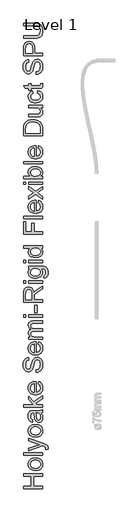
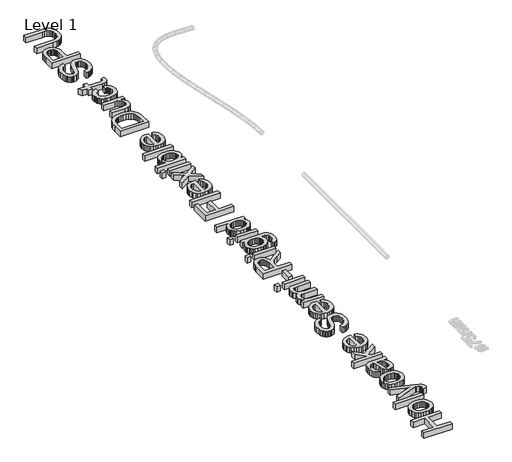
# One storey, part 14 of 17: 1 proxy.
"""IFC4 building model written with IfcOpenShell, lengths in millimetres."""

from ifc_helpers import new_model, si_unit, origin, origin_with_axes, place, context, project, spatial, polyline, outline, extrude, element, save

model = new_model("IFC4")

# Units and contexts
model_context = context("Model", 3, world=origin())
ifc_project = project(units=[si_unit("LENGTHUNIT", "METRE", prefix="MILLI")], contexts=[model_context])

# Site, building, storey
site = spatial("IfcSite", under=ifc_project)
building = spatial("IfcBuilding", under=site)
storey = spatial("IfcBuildingStorey", under=building, Name="Level 1", Elevation=0.0)

# Proxy
placement = place(None, origin())
element("IfcBuildingElementProxy", 1, Name="600mm", ObjectType="600mm", at=placement, inside=storey, context=model_context, shape_type="SweptSolid", body=[
    extrude(outline(polyline([(-1094.1692416, 1067.8141205), (-1684.9384723, 1067.8141205), (-1684.9384723, 1141.6602743), (-1444.9384723, 1141.6602743), (-1444.9384723, 1455.5064282), (-1684.9384723, 1455.5064282), (-1684.9384723, 1529.352582), (-1094.1692416, 1529.352582), (-1094.1692416, 1455.5064282), (-1371.0923185, 1455.5064282), (-1371.0923185, 1141.6602743), (-1094.1692416, 1141.6602743), (-1094.1692416, 1067.8141205)])), origin_with_axes(), (0.0, 0.0, 1.0), 120.0),
    extrude(outline(polyline([(-1311.0923185, 1630.8910436), (-1367.2792175, 1634.884433), (-1415.6956839, 1646.8646013), (-1456.3417175, 1666.8315484), (-1489.2173185, 1694.7852743), (-1510.2299387, 1722.9283032), (-1525.2389531, 1753.9920051), (-1534.2443618, 1787.9763801), (-1537.2461646, 1824.8814282), (-1533.5908161, 1865.6221133), (-1522.6247704, 1902.4595532), (-1504.3480276, 1935.3937479), (-1478.7605877, 1964.4246974), (-1446.7278353, 1988.1191085), (-1409.115155, 2005.0436878), (-1365.9225469, 2015.1984354), (-1317.1500108, 2018.5833513), (-1277.6217656, 2017.086957), (-1242.5466454, 2012.5977743), (-1211.9246502, 2005.1158032), (-1185.75578, 1994.6410436), (-1163.1521142, 1981.3042046), (-1143.2257319, 1965.2359955), (-1125.9766334, 1946.4364162), (-1111.4048185, 1924.9054666), (-1099.825792, 1901.4814883), (-1091.5550589, 1877.0028224), (-1086.592619, 1851.469469), (-1084.9384723, 1824.8814282), (-1088.5802993, 1783.5457912), (-1099.50578, 1746.3658032), (-1117.7149146, 1713.3414642), (-1143.2077031, 1684.4727743), (-1175.5514531, 1661.0307671), (-1214.3134723, 1644.2864763), (-1259.4937608, 1634.2399017), (-1311.0923185, 1630.8910436)]), holes=[polyline([(-1311.2365493, 1704.7371974), (-1275.4177392, 1706.8736157), (-1244.4036166, 1713.2828705), (-1218.1941815, 1723.9649618), (-1196.7894339, 1738.9198897), (-1180.1623305, 1757.1109955), (-1168.2858281, 1777.5016205), (-1161.1599267, 1800.0917647), (-1158.7846262, 1824.8814282), (-1161.1734483, 1849.5448897), (-1168.3399146, 1872.0448897), (-1180.2840252, 1892.3814282), (-1197.00578, 1910.5545051), (-1218.6223666, 1925.509433), (-1245.2509723, 1936.1915243), (-1276.8915973, 1942.6007791), (-1313.5442416, 1944.7371974), (-1348.2272344, 1942.5872575), (-1378.4300589, 1936.1374378), (-1404.1527151, 1925.3877383), (-1425.3952031, 1910.3381589), (-1442.0223065, 1892.0974739), (-1453.8988089, 1871.774457), (-1461.0247103, 1849.3691085), (-1463.4000108, 1824.8814282), (-1461.0337247, 1800.0917647), (-1453.9348666, 1777.5016205), (-1442.1034363, 1757.1109955), (-1425.5394339, 1738.9198897), (-1404.1977872, 1723.9649618), (-1378.0334243, 1713.2828705), (-1347.0463449, 1706.8736157), (-1311.2365493, 1704.7371974)])]), origin_with_axes(), (0.0, 0.0, 1.0), 120.0),
    extrude(outline(polyline([(-1094.1692416, 2101.6602743), (-1684.9384723, 2101.6602743), (-1684.9384723, 2175.5064282), (-1094.1692416, 2175.5064282), (-1094.1692416, 2101.6602743)])), origin_with_axes(), (0.0, 0.0, 1.0), 120.0),
    extrude(outline(polyline([(-928.0153954, 2286.2756589), (-999.1211646, 2277.0448897), (-992.63078, 2314.5448897), (-994.6680396, 2334.2684474), (-1000.7798185, 2349.5929666), (-1010.5334243, 2361.5280628), (-1023.4961646, 2371.0833513), (-1077.8711646, 2391.2756589), (-1095.75578, 2397.0448897), (-1528.0153954, 2240.1218128), (-1528.0153954, 2318.0064282), (-1287.1500108, 2401.227582), (-1190.8038569, 2430.2179666), (-1275.9000108, 2459.2083513), (-1528.0153954, 2544.7371974), (-1528.0153954, 2622.0448897), (-1083.7846262, 2471.0352743), (-987.4384723, 2431.8045051), (-956.6812608, 2411.7203705), (-935.3711646, 2388.9679666), (-922.9312608, 2362.5376782), (-918.7846262, 2331.4198897), (-921.0923185, 2310.0376782), (-928.0153954, 2286.2756589)])), origin_with_axes(), (0.0, 0.0, 1.0), 120.0),
    extrude(outline(polyline([(-1311.0923185, 2664.7371974), (-1367.2792175, 2668.7305868), (-1415.6956839, 2680.7107551), (-1456.3417175, 2700.6777022), (-1489.2173185, 2728.6314282), (-1510.2299387, 2756.774457), (-1525.2389531, 2787.8381589), (-1534.2443618, 2821.8225339), (-1537.2461646, 2858.727582), (-1533.5908161, 2899.4682671), (-1522.6247704, 2936.305707), (-1504.3480276, 2969.2399017), (-1478.7605877, 2998.2708513), (-1446.7278353, 3021.9652623), (-1409.115155, 3038.8898416), (-1365.9225469, 3049.0445892), (-1317.1500108, 3052.4295051), (-1277.6217656, 3050.9331109), (-1242.5466454, 3046.4439282), (-1211.9246502, 3038.961957), (-1185.75578, 3028.4871974), (-1163.1521142, 3015.1503585), (-1143.2257319, 2999.0821493), (-1125.9766334, 2980.28257), (-1111.4048185, 2958.7516205), (-1099.825792, 2935.3276421), (-1091.5550589, 2910.8489763), (-1086.592619, 2885.3156229), (-1084.9384723, 2858.727582), (-1088.5802993, 2817.391945), (-1099.50578, 2780.211957), (-1117.7149146, 2747.1876181), (-1143.2077031, 2718.3189282), (-1175.5514531, 2694.876921), (-1214.3134723, 2678.1326301), (-1259.4937608, 2668.0860556), (-1311.0923185, 2664.7371974)]), holes=[polyline([(-1311.2365493, 2738.5833513), (-1275.4177392, 2740.7197695), (-1244.4036166, 2747.1290243), (-1218.1941815, 2757.8111157), (-1196.7894339, 2772.7660436), (-1180.1623305, 2790.9571493), (-1168.2858281, 2811.3477743), (-1161.1599267, 2833.9379186), (-1158.7846262, 2858.727582), (-1161.1734483, 2883.3910436), (-1168.3399146, 2905.8910436), (-1180.2840252, 2926.227582), (-1197.00578, 2944.4006589), (-1218.6223666, 2959.3555868), (-1245.2509723, 2970.0376782), (-1276.8915973, 2976.446933), (-1313.5442416, 2978.5833513), (-1348.2272344, 2976.4334114), (-1378.4300589, 2969.9835916), (-1404.1527151, 2959.2338921), (-1425.3952031, 2944.1843128), (-1442.0223065, 2925.9436277), (-1453.8988089, 2905.6206109), (-1461.0247103, 2883.2152623), (-1463.4000108, 2858.727582), (-1461.0337247, 2833.9379186), (-1453.9348666, 2811.3477743), (-1442.1034363, 2790.9571493), (-1425.5394339, 2772.7660436), (-1404.1977872, 2757.8111157), (-1378.0334243, 2747.1290243), (-1347.0463449, 2740.7197695), (-1311.2365493, 2738.5833513)])]), origin_with_axes(), (0.0, 0.0, 1.0), 120.0),
    extrude(outline(polyline([(-1149.5538569, 3412.4295051), (-1119.3014531, 3377.1470532), (-1099.50578, 3340.8189282), (-1088.5802993, 3302.6158032), (-1084.9384723, 3261.7083513), (-1087.1289771, 3228.8282431), (-1093.7004916, 3199.9956109), (-1104.6530156, 3175.2104546), (-1119.9865493, 3154.4727743), (-1138.7275348, 3138.0980748), (-1159.9024146, 3126.4018609), (-1183.5111887, 3119.3841325), (-1209.5538569, 3117.0448897), (-1240.1668377, 3120.5785436), (-1267.9673185, 3131.1795051), (-1291.7653954, 3147.5316686), (-1310.3711646, 3168.3189282), (-1324.4336646, 3192.7480147), (-1334.6019339, 3220.0256589), (-1345.7077031, 3283.9198897), (-1357.3903954, 3359.4246974), (-1371.0923185, 3411.9968128), (-1387.5346262, 3412.4295051), (-1420.4913569, 3407.3453705), (-1432.6968858, 3400.9902022), (-1442.0538569, 3392.0929666), (-1451.3927993, 3376.7143609), (-1458.0634723, 3357.9823897), (-1463.4000108, 3310.4583513), (-1459.8483281, 3266.4679666), (-1449.19328, 3235.7468128), (-1429.4877512, 3214.7972936), (-1398.7846262, 3200.1218128), (-1408.0153954, 3126.2756589), (-1448.4000108, 3139.0941686), (-1480.13078, 3158.2227743), (-1504.3976069, 3185.446332), (-1522.3903954, 3222.5496974), (-1533.5322223, 3267.9283032), (-1537.2461646, 3319.977582), (-1533.9649146, 3369.899457), (-1524.1211646, 3409.4727743), (-1509.3194819, 3439.3105147), (-1491.1644339, 3460.0256589), (-1468.7185204, 3473.7636397), (-1441.0442416, 3482.6698897), (-1376.4288569, 3486.2756589), (-1284.5538569, 3486.2756589), (-1156.2605877, 3490.0256589), (-1124.5478473, 3495.5785436), (-1094.1692416, 3504.7371974), (-1094.1692416, 3430.8910436), (-1119.8423185, 3419.0641205), (-1149.5538569, 3412.4295051)]), holes=[polyline([(-1297.2461646, 3412.4295051), (-1284.9504916, 3362.8141205), (-1274.6019339, 3293.2948897), (-1262.63078, 3229.7612359), (-1254.4456839, 3213.2287839), (-1243.1596262, 3200.9871974), (-1229.6379916, 3193.415082), (-1214.7461646, 3190.8910436), (-1192.78703, 3196.3898416), (-1174.7942416, 3212.8862359), (-1162.78703, 3240.0196493), (-1158.7846262, 3277.4295051), (-1163.2016935, 3317.0929666), (-1176.4528954, 3352.1410436), (-1195.9781358, 3380.5545051), (-1219.2173185, 3400.3141205), (-1243.1596262, 3409.0761397), (-1276.3327031, 3411.9968128), (-1297.2461646, 3412.4295051)])]), origin_with_axes(), (0.0, 0.0, 1.0), 120.0),
    extrude(outline(polyline([(-1094.1692416, 3587.8141205), (-1684.9384723, 3587.8141205), (-1684.9384723, 3661.6602743), (-1367.4865493, 3661.6602743), (-1528.0153954, 3827.2371974), (-1528.0153954, 3929.352582), (-1365.4673185, 3761.7564282), (-1094.1692416, 3938.5833513), (-1094.1692416, 3852.3333513), (-1314.1211646, 3708.8237359), (-1268.4000108, 3661.6602743), (-1094.1692416, 3661.6602743), (-1094.1692416, 3587.8141205)])), origin_with_axes(), (0.0, 0.0, 1.0), 120.0),
    extrude(outline(polyline([(-1223.4000108, 4306.9487359), (-1214.1692416, 4379.352582), (-1185.1698425, 4368.25132), (-1159.6139531, 4353.2648416), (-1137.5015733, 4334.3931469), (-1118.8327031, 4311.6362359), (-1104.0039771, 4285.2284835), (-1093.41203, 4255.4042647), (-1087.0568618, 4222.1635796), (-1084.9384723, 4185.5064282), (-1088.5938209, 4139.6861157), (-1099.5598666, 4098.8597936), (-1117.8366094, 4063.0274618), (-1143.4240493, 4032.1891205), (-1175.6100469, 4007.3904426), (-1213.6824627, 3989.6771013), (-1257.6412969, 3979.0490964), (-1307.4865493, 3975.5064282), (-1359.022006, 3979.0851541), (-1404.4456839, 3989.821332), (-1443.7575829, 4007.7149618), (-1476.9577031, 4032.7660436), (-1503.333905, 4063.5232551), (-1522.1740493, 4098.5352743), (-1533.4781358, 4137.8021013), (-1537.2461646, 4181.3237359), (-1533.4871502, 4223.4436277), (-1522.2101069, 4261.5340724), (-1503.4150348, 4295.59507), (-1477.1019339, 4325.6266205), (-1443.9739291, 4350.141344), (-1404.7341454, 4367.6518609), (-1359.3825829, 4378.158171), (-1307.9192416, 4381.6602743), (-1288.0153954, 4381.227582), (-1288.0153954, 4049.352582), (-1258.5472464, 4053.6299258), (-1232.7389531, 4062.1350339), (-1210.5905156, 4074.8679065), (-1192.1019339, 4091.8285436), (-1177.5256118, 4112.079445), (-1167.1139531, 4134.6831109), (-1160.8669579, 4159.6395412), (-1158.7846262, 4186.9487359), (-1162.6427993, 4226.2516205), (-1174.2173185, 4259.352582), (-1194.2293377, 4286.2516205), (-1223.4000108, 4306.9487359)]), holes=[polyline([(-1361.8615493, 4049.352582), (-1361.8615493, 4307.8141205), (-1400.8759723, 4297.8261397), (-1416.2185204, 4289.2353945), (-1428.7846262, 4278.2468128), (-1443.9288569, 4258.1085916), (-1454.7461646, 4235.1939282), (-1461.2365493, 4209.5028224), (-1463.4000108, 4181.0352743), (-1461.6737488, 4155.0692287), (-1456.4949627, 4131.2576301), (-1447.8636526, 4109.6004787), (-1435.7798185, 4090.0977743), (-1420.8023545, 4073.7320892), (-1403.490155, 4061.4859955), (-1383.8432199, 4053.3594931), (-1361.8615493, 4049.352582)])]), origin_with_axes(), (0.0, 0.0, 1.0), 120.0),
    extrude(outline(polyline([(-1297.2461646, 4667.8141205), (-1297.2461646, 4741.6602743), (-1256.2665973, 4750.133832), (-1223.3278954, 4765.4583513), (-1197.1860685, 4789.3646013), (-1176.5971262, 4823.5833513), (-1163.2377512, 4865.4102743), (-1158.7846262, 4912.1410436), (-1162.1560204, 4953.2828705), (-1172.2702031, 4989.3045051), (-1188.2798185, 5018.493207), (-1209.3375108, 5039.1362359), (-1233.5141935, 5051.4138801), (-1258.88078, 5055.5064282), (-1283.5983281, 5052.4415243), (-1304.9625108, 5043.2468128), (-1323.1896743, 5024.5689282), (-1338.4961646, 4993.0545051), (-1366.69328, 4885.5304666), (-1385.3531358, 4814.9475339), (-1403.1115493, 4769.7852743), (-1427.9552993, 4733.024457), (-1458.0634723, 4706.9727743), (-1492.78703, 4691.4499378), (-1531.4769339, 4686.2756589), (-1553.467619, 4687.875719), (-1574.7281358, 4692.6758993), (-1595.2584844, 4700.6761998), (-1615.0586646, 4711.8766205), (-1633.3218858, 4726.1509594), (-1649.2413569, 4743.3730147), (-1662.8170781, 4763.5427864), (-1674.0490493, 4786.6602743), (-1689.1391935, 4838.6194089), (-1694.1692416, 4896.1314282), (-1688.9048185, 4958.4391205), (-1673.1115493, 5012.9583513), (-1661.3477271, 5036.8105147), (-1647.1139531, 5057.7420051), (-1630.4102271, 5075.7528224), (-1611.2365493, 5090.8429666), (-1590.1518137, 5102.8952503), (-1567.7149146, 5111.7924859), (-1543.9258521, 5117.5346734), (-1518.7846262, 5120.1218128), (-1518.7846262, 5046.2756589), (-1542.3483281, 5041.3357551), (-1562.8471262, 5032.7179666), (-1580.2810204, 5020.4222936), (-1594.6500108, 5004.4487359), (-1605.8819819, 4984.4998176), (-1613.9048185, 4960.2780628), (-1618.7185204, 4931.7834714), (-1620.3230877, 4899.0160436), (-1618.7365493, 4865.2029426), (-1613.9769339, 4836.3117166), (-1606.0442416, 4812.3423657), (-1594.9384723, 4793.2948897), (-1581.5881118, 4778.7816686), (-1566.9216454, 4768.415082), (-1550.9390733, 4762.1951301), (-1533.6403954, 4760.1218128), (-1505.2629916, 4765.9992166), (-1482.4384723, 4783.6314282), (-1472.2882319, 4799.821332), (-1462.0298185, 4825.3141205), (-1441.1884723, 4904.2083513), (-1421.3927993, 4985.6266205), (-1404.1211646, 5034.8814282), (-1377.3302993, 5076.9787839), (-1361.5821021, 5093.2543248), (-1344.2653954, 5106.3477743), (-1325.4703233, 5116.4123777), (-1305.28703, 5123.6013801), (-1260.75578, 5129.352582), (-1237.6563209, 5127.6984354), (-1215.2329435, 5122.7359955), (-1193.4856478, 5114.4652623), (-1172.4144339, 5102.8862359), (-1152.8351069, 5088.2017407), (-1135.5634723, 5070.6146013), (-1120.59953, 5050.1248176), (-1107.94328, 5026.7323897), (-1097.8786767, 5001.1179065), (-1090.6896743, 4973.961957), (-1084.9384723, 4915.0256589), (-1086.4889531, 4877.250719), (-1091.1403954, 4842.6758993), (-1098.8927993, 4811.3011998), (-1109.7461646, 4783.1266205), (-1123.7185204, 4757.9808873), (-1140.8278954, 4735.6927263), (-1161.0742896, 4716.2621373), (-1184.4577031, 4699.6891205), (-1210.2209243, 4686.3387599), (-1237.6067416, 4676.5761397), (-1266.615155, 4670.4012599), (-1297.2461646, 4667.8141205)])), origin_with_axes(), (0.0, 0.0, 1.0), 120.0),
    extrude(outline(polyline([(-1223.4000108, 5534.6410436), (-1214.1692416, 5607.0448897), (-1185.1698425, 5595.9436277), (-1159.6139531, 5580.9571493), (-1137.5015733, 5562.0854546), (-1118.8327031, 5539.3285436), (-1104.0039771, 5512.9207912), (-1093.41203, 5483.0965724), (-1087.0568618, 5449.8558873), (-1084.9384723, 5413.1987359), (-1088.5938209, 5367.3784234), (-1099.5598666, 5326.5521013), (-1117.8366094, 5290.7197695), (-1143.4240493, 5259.8814282), (-1175.6100469, 5235.0827503), (-1213.6824627, 5217.3694089), (-1257.6412969, 5206.7414041), (-1307.4865493, 5203.1987359), (-1359.022006, 5206.7774618), (-1404.4456839, 5217.5136397), (-1443.7575829, 5235.4072695), (-1476.9577031, 5260.4583513), (-1503.333905, 5291.2155628), (-1522.1740493, 5326.227582), (-1533.4781358, 5365.4944089), (-1537.2461646, 5409.0160436), (-1533.4871502, 5451.1359354), (-1522.2101069, 5489.2263801), (-1503.4150348, 5523.2873777), (-1477.1019339, 5553.3189282), (-1443.9739291, 5577.8336517), (-1404.7341454, 5595.3441686), (-1359.3825829, 5605.8504787), (-1307.9192416, 5609.352582), (-1288.0153954, 5608.9198897), (-1288.0153954, 5277.0448897), (-1258.5472464, 5281.3222335), (-1232.7389531, 5289.8273416), (-1210.5905156, 5302.5602142), (-1192.1019339, 5319.5208513), (-1177.5256118, 5339.7717527), (-1167.1139531, 5362.3754186), (-1160.8669579, 5387.3318489), (-1158.7846262, 5414.6410436), (-1162.6427993, 5453.9439282), (-1174.2173185, 5487.0448897), (-1194.2293377, 5513.9439282), (-1223.4000108, 5534.6410436)]), holes=[polyline([(-1361.8615493, 5277.0448897), (-1361.8615493, 5535.5064282), (-1400.8759723, 5525.5184474), (-1416.2185204, 5516.9277022), (-1428.7846262, 5505.9391205), (-1443.9288569, 5485.8008993), (-1454.7461646, 5462.8862359), (-1461.2365493, 5437.1951301), (-1463.4000108, 5408.727582), (-1461.6737488, 5382.7615364), (-1456.4949627, 5358.9499378), (-1447.8636526, 5337.2927864), (-1435.7798185, 5317.790082), (-1420.8023545, 5301.4243969), (-1403.490155, 5289.1783032), (-1383.8432199, 5281.0518008), (-1361.8615493, 5277.0448897)])]), origin_with_axes(), (0.0, 0.0, 1.0), 120.0),
    extrude(outline(polyline([(-1094.1692416, 5683.1987359), (-1528.0153954, 5683.1987359), (-1528.0153954, 5757.0448897), (-1456.6211646, 5757.0448897), (-1489.4156358, 5779.2564282), (-1515.1067416, 5807.8141205), (-1531.7113089, 5841.7444089), (-1537.2461646, 5880.0737359), (-1531.6031358, 5921.1434474), (-1524.5493497, 5938.6224138), (-1514.6740493, 5954.0641205), (-1487.5766935, 5978.6554666), (-1451.4288569, 5994.7371974), (-1488.9739291, 6021.6542647), (-1515.7918377, 6052.3573897), (-1531.8825829, 6086.8465724), (-1537.2461646, 6125.1218128), (-1535.0150949, 6154.6846133), (-1528.3218858, 6180.6326301), (-1517.1665372, 6202.9658633), (-1501.5490493, 6221.6843128), (-1481.2891334, 6236.4814883), (-1456.2065012, 6247.0508993), (-1426.3011526, 6253.392546), (-1391.5730877, 6255.5064282), (-1094.1692416, 6255.5064282), (-1094.1692416, 6181.6602743), (-1359.8423185, 6181.6602743), (-1396.6752512, 6179.9475339), (-1421.5009723, 6174.8093128), (-1438.5021743, 6165.1819089), (-1451.8615493, 6150.0016205), (-1460.5153954, 6130.4763801), (-1463.4000108, 6107.8141205), (-1461.5520541, 6086.8871373), (-1456.0081839, 6067.8081109), (-1446.7684002, 6050.5770412), (-1433.8327031, 6035.1939282), (-1416.8224868, 6022.5421854), (-1395.3591454, 6013.5052263), (-1369.4426791, 6008.0830508), (-1339.0730877, 6006.2756589), (-1094.1692416, 6006.2756589), (-1094.1692416, 5932.4295051), (-1368.0634723, 5932.4295051), (-1409.81828, 5928.1566686), (-1439.6019339, 5915.3381589), (-1450.0135925, 5905.4268008), (-1457.4504916, 5892.7840724), (-1461.912631, 5877.4099739), (-1463.4000108, 5859.3045051), (-1459.4336646, 5830.8549859), (-1447.5346262, 5804.6410436), (-1427.9913569, 5783.0064282), (-1401.0923185, 5768.2948897), (-1363.7726069, 5759.8573897), (-1312.9673185, 5757.0448897), (-1094.1692416, 5757.0448897), (-1094.1692416, 5683.1987359)])), origin_with_axes(), (0.0, 0.0, 1.0), 120.0),
    extrude(outline(polyline([(-1094.1692416, 6366.2756589), (-1528.0153954, 6366.2756589), (-1528.0153954, 6440.1218128), (-1094.1692416, 6440.1218128), (-1094.1692416, 6366.2756589)])), origin_with_axes(), (0.0, 0.0, 1.0), 120.0),
    extrude(outline(polyline([(-1611.0923185, 6366.2756589), (-1684.9384723, 6366.2756589), (-1684.9384723, 6440.1218128), (-1611.0923185, 6440.1218128), (-1611.0923185, 6366.2756589)])), origin_with_axes(), (0.0, 0.0, 1.0), 120.0),
    extrude(outline(polyline([(-1269.5538569, 6513.9679666), (-1343.4000108, 6513.9679666), (-1343.4000108, 6744.7371974), (-1269.5538569, 6744.7371974), (-1269.5538569, 6513.9679666)])), origin_with_axes(), (0.0, 0.0, 1.0), 120.0),
    extrude(outline(polyline([(-1094.1692416, 6837.0448897), (-1684.9384723, 6837.0448897), (-1684.9384723, 7091.6121974), (-1680.9540973, 7160.0316686), (-1669.0009723, 7209.8093128), (-1659.4997704, 7229.0190484), (-1646.9336646, 7246.1915243), (-1631.302655, 7261.3267407), (-1612.6067416, 7274.4246974), (-1591.8510324, 7284.9941085), (-1570.0406358, 7292.5436878), (-1523.25578, 7298.5833513), (-1492.9132319, 7296.0818489), (-1465.0586646, 7288.5773416), (-1439.6920781, 7276.0698296), (-1416.8134723, 7258.5593128), (-1397.1530156, 7235.8204306), (-1381.4408762, 7207.6278224), (-1369.6770541, 7173.9814883), (-1361.8615493, 7134.8814282), (-1345.9601069, 7159.2203705), (-1330.2750108, 7176.852582), (-1254.2653954, 7236.7083513), (-1094.1692416, 7335.2179666), (-1094.1692416, 7249.4006589), (-1216.6211646, 7172.5256589), (-1297.6788569, 7116.9968128), (-1321.3146743, 7096.3537839), (-1335.9721262, 7077.9823897), (-1350.0346262, 7042.8621974), (-1352.63078, 7000.0256589), (-1352.63078, 6910.8910436), (-1094.1692416, 6910.8910436), (-1094.1692416, 6837.0448897)]), holes=[polyline([(-1426.4769339, 6910.8910436), (-1426.4769339, 7076.1795051), (-1429.0911166, 7123.649457), (-1436.9336646, 7160.4823897), (-1450.5274146, 7188.2107551), (-1470.3952031, 7208.3670051), (-1494.427655, 7220.6446493), (-1520.5153954, 7224.7371974), (-1539.4006118, 7222.7855748), (-1556.53703, 7216.930707), (-1571.9246502, 7207.172594), (-1585.5634723, 7193.5112359), (-1596.7323425, 7175.6311277), (-1604.7101069, 7153.2167647), (-1609.4967656, 7126.2681469), (-1611.0923185, 7094.7852743), (-1611.0923185, 6910.8910436), (-1426.4769339, 6910.8910436)])]), origin_with_axes(), (0.0, 0.0, 1.0), 120.0),
    extrude(outline(polyline([(-1094.1692416, 7418.5833513), (-1528.0153954, 7418.5833513), (-1528.0153954, 7492.4295051), (-1094.1692416, 7492.4295051), (-1094.1692416, 7418.5833513)])), origin_with_axes(), (0.0, 0.0, 1.0), 120.0),
    extrude(outline(polyline([(-1611.0923185, 7418.5833513), (-1684.9384723, 7418.5833513), (-1684.9384723, 7492.4295051), (-1611.0923185, 7492.4295051), (-1611.0923185, 7418.5833513)])), origin_with_axes(), (0.0, 0.0, 1.0), 120.0),
    extrude(outline(polyline([(-1057.2461646, 7584.7371974), (-1048.0153954, 7658.5833513), (-1024.9384723, 7666.7323897), (-1009.0730877, 7682.5256589), (-996.7413569, 7713.571332), (-992.63078, 7754.2083513), (-997.2822223, 7797.5496974), (-1003.0965252, 7815.055707), (-1011.2365493, 7829.7852743), (-1033.5923185, 7852.1410436), (-1063.4480877, 7865.8429666), (-1095.2149146, 7869.8453705), (-1149.5538569, 7870.8910436), (-1125.3230877, 7846.3177263), (-1108.0153954, 7818.8958513), (-1097.63078, 7788.6254186), (-1094.1692416, 7755.5064282), (-1098.1986887, 7715.0181469), (-1110.28703, 7679.3706109), (-1130.4342656, 7648.56382), (-1158.6403954, 7622.5977743), (-1192.4805396, 7601.9953104), (-1229.5298185, 7587.2792647), (-1269.7882319, 7578.4496373), (-1313.25578, 7575.5064282), (-1372.8771743, 7580.7888801), (-1427.7028954, 7596.6362359), (-1452.4249507, 7608.3820291), (-1474.1632319, 7622.4896013), (-1492.9177392, 7638.9589522), (-1508.6884723, 7657.790082), (-1521.1824627, 7678.6810075), (-1530.1067416, 7701.3297455), (-1535.4613089, 7725.736296), (-1537.2461646, 7751.9006589), (-1533.2077031, 7786.4349138), (-1521.0923185, 7817.7780628), (-1500.9000108, 7845.9301061), (-1472.63078, 7870.8910436), (-1528.0153954, 7870.8910436), (-1528.0153954, 7944.7371974), (-1153.4480877, 7944.7371974), (-1066.9637127, 7939.6891205), (-1034.795744, 7933.3790243), (-1010.0105877, 7924.5448897), (-990.0211045, 7912.9748777), (-972.240155, 7898.4571493), (-956.6677392, 7880.9917046), (-943.3038569, 7860.5785436), (-932.5766935, 7837.4249979), (-924.9144339, 7811.7383993), (-920.3170781, 7783.5187479), (-918.7846262, 7752.7660436), (-920.9435805, 7716.5866565), (-927.4204435, 7684.0581109), (-938.2152151, 7655.1804065), (-953.3278954, 7629.9535436), (-972.7765132, 7609.5764402), (-996.5790973, 7595.2480147), (-1024.7356478, 7586.9682671), (-1057.2461646, 7584.7371974)]), holes=[polyline([(-1318.3038569, 7649.352582), (-1281.7909363, 7651.3222335), (-1250.5694819, 7657.2311878), (-1224.639494, 7667.079445), (-1204.0009723, 7680.8670051), (-1188.2572824, 7697.6293248), (-1177.0117896, 7716.4018609), (-1170.264494, 7737.1846133), (-1168.0153954, 7759.977582), (-1170.2509723, 7782.5451902), (-1176.9577031, 7803.2287839), (-1188.1355877, 7822.0283633), (-1203.7846262, 7838.9439282), (-1224.2203233, 7852.9207912), (-1249.7581839, 7862.9042647), (-1280.3982079, 7868.8943489), (-1316.1403954, 7870.8910436), (-1350.3906959, 7868.8357551), (-1380.1608281, 7862.6698897), (-1405.450792, 7852.3934474), (-1426.2605877, 7838.0064282), (-1442.5090853, 7820.7257791), (-1454.115155, 7801.7684474), (-1461.0787969, 7781.134433), (-1463.4000108, 7758.8237359), (-1461.1148545, 7736.8871373), (-1454.2593858, 7716.6542647), (-1442.8336045, 7698.1251181), (-1426.8375108, 7681.2996974), (-1406.3432199, 7667.3228344), (-1381.4228473, 7657.3393609), (-1352.076393, 7651.3492767), (-1318.3038569, 7649.352582)])]), origin_with_axes(), (0.0, 0.0, 1.0), 120.0),
    extrude(outline(polyline([(-1094.1692416, 8055.5064282), (-1528.0153954, 8055.5064282), (-1528.0153954, 8129.352582), (-1094.1692416, 8129.352582), (-1094.1692416, 8055.5064282)])), origin_with_axes(), (0.0, 0.0, 1.0), 120.0),
    extrude(outline(polyline([(-1611.0923185, 8055.5064282), (-1684.9384723, 8055.5064282), (-1684.9384723, 8129.352582), (-1611.0923185, 8129.352582), (-1611.0923185, 8055.5064282)])), origin_with_axes(), (0.0, 0.0, 1.0), 120.0),
    extrude(outline(polyline([(-1094.1692416, 8507.8141205), (-1163.8327031, 8507.8141205), (-1129.3164771, 8485.7197695), (-1104.66203, 8458.9559474), (-1089.8693618, 8427.5226541), (-1084.9384723, 8391.4198897), (-1086.7233281, 8367.0448897), (-1092.0778954, 8343.6795051), (-1101.0021743, 8321.3237359), (-1113.4961646, 8299.977582), (-1129.185768, 8280.3081109), (-1147.6968858, 8262.9823897), (-1169.029518, 8248.0004186), (-1193.1836646, 8235.3621974), (-1219.6995901, 8225.3291445), (-1248.1175589, 8218.1626782), (-1310.6596262, 8212.4295051), (-1372.4264531, 8217.711957), (-1428.2077031, 8233.5593128), (-1453.0604675, 8245.4403224), (-1474.8302993, 8259.9535436), (-1493.5171983, 8277.0989763), (-1509.1211646, 8296.8766205), (-1521.4258521, 8318.5878585), (-1530.2149146, 8341.5340724), (-1535.4883521, 8365.7152623), (-1537.2461646, 8391.1314282), (-1532.2161166, 8427.2612359), (-1517.1259723, 8459.2083513), (-1493.9949627, 8486.2876782), (-1464.8423185, 8507.8141205), (-1684.9384723, 8507.8141205), (-1684.9384723, 8581.6602743), (-1094.1692416, 8581.6602743), (-1094.1692416, 8507.8141205)]), holes=[polyline([(-1310.9480877, 8286.2756589), (-1275.138292, 8288.3579907), (-1244.1512127, 8294.6049859), (-1217.9868497, 8305.0166445), (-1196.6452031, 8319.5929666), (-1180.0812007, 8336.9998176), (-1168.2497704, 8355.9030628), (-1161.1509122, 8376.3027022), (-1158.7846262, 8398.1987359), (-1161.0427392, 8420.1984354), (-1167.8170781, 8440.4763801), (-1179.107643, 8459.03257), (-1194.9144339, 8475.8670051), (-1215.3636526, 8489.8438681), (-1240.5815012, 8499.8273416), (-1270.5679795, 8505.8174258), (-1305.3230877, 8507.8141205), (-1343.4270541, 8505.7813681), (-1376.1043377, 8499.6831109), (-1403.3549387, 8489.5193489), (-1425.1788569, 8475.290082), (-1441.9006118, 8458.0860556), (-1453.8447223, 8438.9980147), (-1461.0111887, 8418.0259594), (-1463.4000108, 8395.1698897), (-1461.1058401, 8372.8411638), (-1454.2233281, 8352.4415243), (-1442.7524747, 8333.9709714), (-1426.69328, 8317.4295051), (-1405.6941815, 8303.7996974), (-1379.4036166, 8294.0641205), (-1347.8215853, 8288.2227743), (-1310.9480877, 8286.2756589)])]), origin_with_axes(), (0.0, 0.0, 1.0), 120.0),
    extrude(outline(polyline([(-1094.1692416, 8932.4295051), (-1684.9384723, 8932.4295051), (-1684.9384723, 9329.352582), (-1611.0923185, 9329.352582), (-1611.0923185, 9006.2756589), (-1435.7077031, 9006.2756589), (-1435.7077031, 9283.1987359), (-1361.8615493, 9283.1987359), (-1361.8615493, 9006.2756589), (-1094.1692416, 9006.2756589), (-1094.1692416, 8932.4295051)])), origin_with_axes(), (0.0, 0.0, 1.0), 120.0),
    extrude(outline(polyline([(-1094.1692416, 9421.6602743), (-1684.9384723, 9421.6602743), (-1684.9384723, 9495.5064282), (-1094.1692416, 9495.5064282), (-1094.1692416, 9421.6602743)])), origin_with_axes(), (0.0, 0.0, 1.0), 120.0),
    extrude(outline(polyline([(-1223.4000108, 9910.0256589), (-1214.1692416, 9982.4295051), (-1185.1698425, 9971.3282431), (-1159.6139531, 9956.3417647), (-1137.5015733, 9937.47007), (-1118.8327031, 9914.7131589), (-1104.0039771, 9888.3054065), (-1093.41203, 9858.4811878), (-1087.0568618, 9825.2405027), (-1084.9384723, 9788.5833513), (-1088.5938209, 9742.7630388), (-1099.5598666, 9701.9367166), (-1117.8366094, 9666.1043849), (-1143.4240493, 9635.2660436), (-1175.6100469, 9610.4673657), (-1213.6824627, 9592.7540243), (-1257.6412969, 9582.1260195), (-1307.4865493, 9578.5833513), (-1359.022006, 9582.1620772), (-1404.4456839, 9592.8982551), (-1443.7575829, 9610.7918849), (-1476.9577031, 9635.8429666), (-1503.333905, 9666.6001782), (-1522.1740493, 9701.6121974), (-1533.4781358, 9740.8790243), (-1537.2461646, 9784.4006589), (-1533.4871502, 9826.5205508), (-1522.2101069, 9864.6109955), (-1503.4150348, 9898.6719931), (-1477.1019339, 9928.7035436), (-1443.9739291, 9953.2182671), (-1404.7341454, 9970.7287839), (-1359.3825829, 9981.235094), (-1307.9192416, 9984.7371974), (-1288.0153954, 9984.3045051), (-1288.0153954, 9652.4295051), (-1258.5472464, 9656.7068489), (-1232.7389531, 9665.211957), (-1210.5905156, 9677.9448296), (-1192.1019339, 9694.9054666), (-1177.5256118, 9715.1563681), (-1167.1139531, 9737.7600339), (-1160.8669579, 9762.7164642), (-1158.7846262, 9790.0256589), (-1162.6427993, 9829.3285436), (-1174.2173185, 9862.4295051), (-1194.2293377, 9889.3285436), (-1223.4000108, 9910.0256589)]), holes=[polyline([(-1361.8615493, 9652.4295051), (-1361.8615493, 9910.8910436), (-1400.8759723, 9900.9030628), (-1416.2185204, 9892.3123176), (-1428.7846262, 9881.3237359), (-1443.9288569, 9861.1855147), (-1454.7461646, 9838.2708513), (-1461.2365493, 9812.5797455), (-1463.4000108, 9784.1121974), (-1461.6737488, 9758.1461517), (-1456.4949627, 9734.3345532), (-1447.8636526, 9712.6774017), (-1435.7798185, 9693.1746974), (-1420.8023545, 9676.8090123), (-1403.490155, 9664.5629186), (-1383.8432199, 9656.4364162), (-1361.8615493, 9652.4295051)])]), origin_with_axes(), (0.0, 0.0, 1.0), 120.0),
    extrude(outline(polyline([(-1094.1692416, 10012.4295051), (-1312.2461646, 10170.2179666), (-1528.0153954, 10021.6602743), (-1528.0153954, 10110.5064282), (-1424.1692416, 10182.1891205), (-1375.13078, 10215.6506589), (-1415.2269339, 10244.6410436), (-1528.0153954, 10326.2756589), (-1528.0153954, 10415.1218128), (-1312.2461646, 10259.0641205), (-1094.1692416, 10409.352582), (-1094.1692416, 10320.5064282), (-1225.2750108, 10230.0737359), (-1249.2173185, 10213.4871974), (-1094.1692416, 10101.2756589), (-1094.1692416, 10012.4295051)])), origin_with_axes(), (0.0, 0.0, 1.0), 120.0),
    extrude(outline(polyline([(-1094.1692416, 10473.9679666), (-1528.0153954, 10473.9679666), (-1528.0153954, 10547.8141205), (-1094.1692416, 10547.8141205), (-1094.1692416, 10473.9679666)])), origin_with_axes(), (0.0, 0.0, 1.0), 120.0),
    extrude(outline(polyline([(-1611.0923185, 10473.9679666), (-1684.9384723, 10473.9679666), (-1684.9384723, 10547.8141205), (-1611.0923185, 10547.8141205), (-1611.0923185, 10473.9679666)])), origin_with_axes(), (0.0, 0.0, 1.0), 120.0),
    extrude(outline(polyline([(-1094.1692416, 10732.4295051), (-1094.1692416, 10658.5833513), (-1684.9384723, 10658.5833513), (-1684.9384723, 10732.4295051), (-1465.8519339, 10732.4295051), (-1497.0869098, 10756.7143609), (-1519.3976069, 10784.1362359), (-1532.7840252, 10814.6951301), (-1537.2461646, 10848.3910436), (-1533.2257319, 10886.4319089), (-1521.1644339, 10922.3814282), (-1501.8194819, 10954.1843128), (-1475.9480877, 10979.7852743), (-1443.802655, 10999.8513801), (-1405.6355877, 11015.0496974), (-1363.0334243, 11024.6230147), (-1317.5827031, 11027.8141205), (-1265.1367896, 11024.5103344), (-1219.0009723, 11014.5989763), (-1179.1752512, 10998.080046), (-1145.6596262, 10974.9535436), (-1119.0941214, 10947.1936277), (-1100.1187608, 10916.774457), (-1088.7335444, 10883.6960315), (-1084.9384723, 10847.9583513), (-1089.8333041, 10813.1536638), (-1104.5177993, 10782.2972936), (-1128.9919579, 10755.3892407), (-1163.25578, 10732.4295051), (-1094.1692416, 10732.4295051)]), holes=[polyline([(-1314.1211646, 10732.4295051), (-1252.5346262, 10737.477582), (-1229.2052993, 10743.7876782), (-1210.8519339, 10752.6218128), (-1188.0724868, 10770.5154426), (-1171.8014531, 10791.3117166), (-1162.0388329, 10815.0106349), (-1158.7846262, 10841.6121974), (-1161.1824627, 10863.6975339), (-1168.3759723, 10884.2323897), (-1180.365155, 10903.2167647), (-1197.1500108, 10920.6506589), (-1218.6854675, 10935.2269811), (-1244.9264531, 10945.6386397), (-1275.8729675, 10951.8856349), (-1311.5250108, 10953.9679666), (-1347.8531358, 10951.9712719), (-1379.0971262, 10945.9811878), (-1405.2569819, 10935.9977142), (-1426.3327031, 10922.0208513), (-1442.5496502, 10905.2134594), (-1454.1331839, 10886.7383993), (-1461.0833041, 10866.595671), (-1463.4000108, 10844.7852743), (-1461.0021743, 10822.6999378), (-1453.8086646, 10802.165082), (-1441.8194819, 10783.180707), (-1425.0346262, 10765.7468128), (-1403.7155156, 10751.1704907), (-1378.1235685, 10740.758832), (-1348.2587848, 10734.5118368), (-1314.1211646, 10732.4295051)])]), origin_with_axes(), (0.0, 0.0, 1.0), 120.0),
    extrude(outline(polyline([(-1094.1692416, 11110.8910436), (-1684.9384723, 11110.8910436), (-1684.9384723, 11184.7371974), (-1094.1692416, 11184.7371974), (-1094.1692416, 11110.8910436)])), origin_with_axes(), (0.0, 0.0, 1.0), 120.0),
    extrude(outline(polyline([(-1223.4000108, 11599.2564282), (-1214.1692416, 11671.6602743), (-1185.1698425, 11660.5590123), (-1159.6139531, 11645.5725339), (-1137.5015733, 11626.7008392), (-1118.8327031, 11603.9439282), (-1104.0039771, 11577.5361758), (-1093.41203, 11547.711957), (-1087.0568618, 11514.4712719), (-1084.9384723, 11477.8141205), (-1088.5938209, 11431.993808), (-1099.5598666, 11391.1674859), (-1117.8366094, 11355.3351541), (-1143.4240493, 11324.4968128), (-1175.6100469, 11299.6981349), (-1213.6824627, 11281.9847936), (-1257.6412969, 11271.3567888), (-1307.4865493, 11267.8141205), (-1359.022006, 11271.3928464), (-1404.4456839, 11282.1290243), (-1443.7575829, 11300.0226541), (-1476.9577031, 11325.0737359), (-1503.333905, 11355.8309474), (-1522.1740493, 11390.8429666), (-1533.4781358, 11430.1097936), (-1537.2461646, 11473.6314282), (-1533.4871502, 11515.75132), (-1522.2101069, 11553.8417647), (-1503.4150348, 11587.9027623), (-1477.1019339, 11617.9343128), (-1443.9739291, 11642.4490364), (-1404.7341454, 11659.9595532), (-1359.3825829, 11670.4658633), (-1307.9192416, 11673.9679666), (-1288.0153954, 11673.5352743), (-1288.0153954, 11341.6602743), (-1258.5472464, 11345.9376181), (-1232.7389531, 11354.4427263), (-1210.5905156, 11367.1755989), (-1192.1019339, 11384.1362359), (-1177.5256118, 11404.3871373), (-1167.1139531, 11426.9908032), (-1160.8669579, 11451.9472335), (-1158.7846262, 11479.2564282), (-1162.6427993, 11518.5593128), (-1174.2173185, 11551.6602743), (-1194.2293377, 11578.5593128), (-1223.4000108, 11599.2564282)]), holes=[polyline([(-1361.8615493, 11341.6602743), (-1361.8615493, 11600.1218128), (-1400.8759723, 11590.133832), (-1416.2185204, 11581.5430868), (-1428.7846262, 11570.5545051), (-1443.9288569, 11550.4162839), (-1454.7461646, 11527.5016205), (-1461.2365493, 11501.8105147), (-1463.4000108, 11473.3429666), (-1461.6737488, 11447.376921), (-1456.4949627, 11423.5653224), (-1447.8636526, 11401.908171), (-1435.7798185, 11382.4054666), (-1420.8023545, 11366.0397815), (-1403.490155, 11353.7936878), (-1383.8432199, 11345.6671854), (-1361.8615493, 11341.6602743)])]), origin_with_axes(), (0.0, 0.0, 1.0), 120.0),
    extrude(outline(polyline([(-1094.1692416, 11987.8141205), (-1684.9384723, 11987.8141205), (-1684.9384723, 12191.6121974), (-1682.8110685, 12252.5136397), (-1676.4288569, 12297.0448897), (-1660.0226069, 12344.1362359), (-1634.1692416, 12383.8718128), (-1613.0394339, 12405.7678464), (-1589.1692416, 12424.7251782), (-1562.5586646, 12440.743808), (-1533.2077031, 12453.8237359), (-1501.3867896, 12463.9829907), (-1467.3663569, 12471.2396013), (-1392.7269339, 12477.0448897), (-1329.3194819, 12473.1146013), (-1273.5202031, 12461.3237359), (-1226.0141935, 12443.3670051), (-1187.4865493, 12420.9391205), (-1157.0718858, 12395.1218128), (-1133.9048185, 12366.9968128), (-1116.7233281, 12334.7071493), (-1104.2653954, 12296.3958513), (-1096.69328, 12251.9908032), (-1094.1692416, 12201.4198897), (-1094.1692416, 11987.8141205)]), holes=[polyline([(-1168.0153954, 12061.6602743), (-1168.0153954, 12192.3333513), (-1170.6836646, 12246.383832), (-1178.6884723, 12287.3814282), (-1191.5610685, 12318.3189282), (-1208.8327031, 12342.1891205), (-1240.7978473, 12367.8441686), (-1282.1740493, 12387.1170051), (-1333.1415973, 12399.1783032), (-1393.88078, 12403.1987359), (-1436.7533762, 12401.2290844), (-1474.3615493, 12395.3201301), (-1506.7052993, 12385.4718729), (-1533.7846262, 12371.6843128), (-1556.2125108, 12355.0752383), (-1574.6019339, 12336.7624378), (-1588.9528954, 12316.7459114), (-1599.2653954, 12295.0256589), (-1608.1355877, 12252.5496974), (-1611.0923185, 12190.3141205), (-1611.0923185, 12061.6602743), (-1168.0153954, 12061.6602743)])]), origin_with_axes(), (0.0, 0.0, 1.0), 120.0),
    extrude(outline(polyline([(-1094.1692416, 12846.2756589), (-1168.7365493, 12846.2756589), (-1132.0748906, 12819.5569089), (-1105.8879916, 12788.4391205), (-1090.1758521, 12752.9222936), (-1084.9384723, 12713.0064282), (-1088.6163569, 12677.0388801), (-1099.6500108, 12643.5593128), (-1116.2365493, 12615.4703705), (-1136.5730877, 12595.6746974), (-1161.2726069, 12582.3513801), (-1190.9480877, 12573.6795051), (-1259.6019339, 12569.352582), (-1528.0153954, 12569.352582), (-1528.0153954, 12643.1987359), (-1294.3615493, 12643.1987359), (-1247.63078, 12644.3165243), (-1219.0730877, 12647.6698897), (-1193.958905, 12658.4331109), (-1174.8663569, 12676.8766205), (-1162.8050589, 12701.774457), (-1158.7846262, 12731.9006589), (-1162.8952031, 12763.7576301), (-1175.2269339, 12793.5593128), (-1194.6440012, 12818.1326301), (-1220.0105877, 12834.3045051), (-1254.7521743, 12843.2828705), (-1302.2942416, 12846.2756589), (-1528.0153954, 12846.2756589), (-1528.0153954, 12920.1218128), (-1094.1692416, 12920.1218128), (-1094.1692416, 12846.2756589)])), origin_with_axes(), (0.0, 0.0, 1.0), 120.0),
    extrude(outline(polyline([(-1251.0923185, 13298.5833513), (-1241.8615493, 13372.4295051), (-1207.0162969, 13364.3976541), (-1176.1824627, 13351.8405628), (-1149.3600469, 13334.7582311), (-1126.5490493, 13313.1506589), (-1108.3444219, 13287.9283032), (-1095.3411166, 13260.0016205), (-1087.5391334, 13229.3706109), (-1084.9384723, 13196.0352743), (-1088.5667776, 13154.6185075), (-1099.4516935, 13117.4835916), (-1117.5932199, 13084.6305267), (-1142.9913569, 13056.0593128), (-1175.1683401, 13032.9328104), (-1213.646405, 13016.4138801), (-1258.4255517, 13006.5025219), (-1309.50578, 13003.1987359), (-1375.2209243, 13008.8417647), (-1404.7927392, 13015.8955508), (-1432.1740493, 13025.7708513), (-1456.8149747, 13038.5352743), (-1478.1656358, 13054.2564282), (-1496.2260324, 13072.9343128), (-1510.9961646, 13094.5689282), (-1522.4805396, 13118.1822094), (-1530.6836646, 13142.7960916), (-1535.6055396, 13168.4105748), (-1537.2461646, 13195.0256589), (-1534.9925589, 13227.7885796), (-1528.2317416, 13257.4234955), (-1516.9637127, 13283.9304065), (-1501.1884723, 13307.3093128), (-1481.2665973, 13327.1635796), (-1457.5586646, 13343.0965724), (-1430.0646743, 13355.1082912), (-1398.7846262, 13363.1987359), (-1389.5538569, 13289.352582), (-1421.771405, 13275.9571493), (-1444.8663569, 13255.0977743), (-1458.7665973, 13227.9283032), (-1463.4000108, 13195.602582), (-1461.1193618, 13170.5109354), (-1454.2774146, 13147.8802263), (-1442.8741694, 13127.7104546), (-1426.9096262, 13110.0016205), (-1406.0141935, 13095.5830508), (-1379.81828, 13085.2840724), (-1348.3218858, 13079.1046854), (-1311.5250108, 13077.0448897), (-1274.1737488, 13079.0596133), (-1242.3122704, 13085.1037839), (-1215.9405757, 13095.1774017), (-1195.0586646, 13109.2804666), (-1179.1887728, 13126.6377383), (-1167.8531358, 13146.4739763), (-1161.0517536, 13168.7891806), (-1158.7846262, 13193.5833513), (-1164.4456839, 13231.8225339), (-1171.522006, 13248.3594931), (-1181.4288569, 13263.1746974), (-1194.2744098, 13275.8534835), (-1210.1668377, 13285.9811878), (-1229.1061406, 13293.5578104), (-1251.0923185, 13298.5833513)])), origin_with_axes(), (0.0, 0.0, 1.0), 120.0),
    extrude(outline(polyline([(-1155.75578, 13593.9679666), (-1092.00578, 13603.1987359), (-1084.9384723, 13547.9583513), (-1088.0033762, 13512.5136397), (-1097.1980877, 13486.0833513), (-1111.3687608, 13467.4054666), (-1129.3615493, 13455.2179666), (-1160.2629916, 13448.5112359), (-1213.1596262, 13446.2756589), (-1454.1692416, 13446.2756589), (-1454.1692416, 13390.8910436), (-1528.0153954, 13390.8910436), (-1528.0153954, 13446.2756589), (-1633.4480877, 13446.2756589), (-1676.8615493, 13520.1218128), (-1528.0153954, 13520.1218128), (-1528.0153954, 13593.9679666), (-1454.1692416, 13593.9679666), (-1454.1692416, 13520.1218128), (-1215.3230877, 13520.1218128), (-1177.2461646, 13524.0160436), (-1163.7605877, 13536.6362359), (-1160.0286166, 13547.2912839), (-1158.7846262, 13561.8045051), (-1155.75578, 13593.9679666)])), origin_with_axes(), (0.0, 0.0, 1.0), 120.0),
    extrude(outline(polyline([(-1297.2461646, 13880.1218128), (-1297.2461646, 13953.9679666), (-1256.2665973, 13962.4415243), (-1223.3278954, 13977.7660436), (-1197.1860685, 14001.6722936), (-1176.5971262, 14035.8910436), (-1163.2377512, 14077.7179666), (-1158.7846262, 14124.4487359), (-1162.1560204, 14165.5905628), (-1172.2702031, 14201.6121974), (-1188.2798185, 14230.8008993), (-1209.3375108, 14251.4439282), (-1233.5141935, 14263.7215724), (-1258.88078, 14267.8141205), (-1283.5983281, 14264.7492166), (-1304.9625108, 14255.5545051), (-1323.1896743, 14236.8766205), (-1338.4961646, 14205.3621974), (-1366.69328, 14097.8381589), (-1385.3531358, 14027.2552263), (-1403.1115493, 13982.0929666), (-1427.9552993, 13945.3321493), (-1458.0634723, 13919.2804666), (-1492.78703, 13903.7576301), (-1531.4769339, 13898.5833513), (-1553.467619, 13900.1834114), (-1574.7281358, 13904.9835916), (-1595.2584844, 13912.9838921), (-1615.0586646, 13924.1843128), (-1633.3218858, 13938.4586517), (-1649.2413569, 13955.680707), (-1662.8170781, 13975.8504787), (-1674.0490493, 13998.9679666), (-1689.1391935, 14050.9271013), (-1694.1692416, 14108.4391205), (-1688.9048185, 14170.7468128), (-1673.1115493, 14225.2660436), (-1661.3477271, 14249.118207), (-1647.1139531, 14270.0496974), (-1630.4102271, 14288.0605147), (-1611.2365493, 14303.1506589), (-1590.1518137, 14315.2029426), (-1567.7149146, 14324.1001782), (-1543.9258521, 14329.8423657), (-1518.7846262, 14332.4295051), (-1518.7846262, 14258.5833513), (-1542.3483281, 14253.6434474), (-1562.8471262, 14245.0256589), (-1580.2810204, 14232.7299859), (-1594.6500108, 14216.7564282), (-1605.8819819, 14196.8075099), (-1613.9048185, 14172.5857551), (-1618.7185204, 14144.0911638), (-1620.3230877, 14111.3237359), (-1618.7365493, 14077.5106349), (-1613.9769339, 14048.6194089), (-1606.0442416, 14024.650058), (-1594.9384723, 14005.602582), (-1581.5881118, 13991.0893609), (-1566.9216454, 13980.7227743), (-1550.9390733, 13974.5028224), (-1533.6403954, 13972.4295051), (-1505.2629916, 13978.3069089), (-1482.4384723, 13995.9391205), (-1472.2882319, 14012.1290243), (-1462.0298185, 14037.6218128), (-1441.1884723, 14116.5160436), (-1421.3927993, 14197.9343128), (-1404.1211646, 14247.1891205), (-1377.3302993, 14289.2864763), (-1361.5821021, 14305.5620171), (-1344.2653954, 14318.6554666), (-1325.4703233, 14328.72007), (-1305.28703, 14335.9090724), (-1260.75578, 14341.6602743), (-1237.6563209, 14340.0061277), (-1215.2329435, 14335.0436878), (-1193.4856478, 14326.7729546), (-1172.4144339, 14315.1939282), (-1152.8351069, 14300.509433), (-1135.5634723, 14282.9222936), (-1120.59953, 14262.4325099), (-1107.94328, 14239.040082), (-1097.8786767, 14213.4255989), (-1090.6896743, 14186.2696493), (-1084.9384723, 14127.3333513), (-1086.4889531, 14089.5584114), (-1091.1403954, 14054.9835916), (-1098.8927993, 14023.6088921), (-1109.7461646, 13995.4343128), (-1123.7185204, 13970.2885796), (-1140.8278954, 13948.0004186), (-1161.0742896, 13928.5698296), (-1184.4577031, 13911.9968128), (-1210.2209243, 13898.6464522), (-1237.6067416, 13888.883832), (-1266.615155, 13882.7089522), (-1297.2461646, 13880.1218128)])), origin_with_axes(), (0.0, 0.0, 1.0), 120.0),
    extrude(outline(polyline([(-1094.1692416, 14452.4295051), (-1684.9384723, 14452.4295051), (-1684.9384723, 14671.3718128), (-1683.5322223, 14722.3573897), (-1679.3134723, 14759.6410436), (-1668.802655, 14798.9980147), (-1651.69328, 14831.3958513), (-1627.2101069, 14857.4835916), (-1594.5778954, 14877.9102743), (-1556.0863089, 14891.1073897), (-1514.0250108, 14895.5064282), (-1477.7599868, 14892.5361758), (-1444.3976069, 14883.6254186), (-1413.9378714, 14868.7741565), (-1386.38078, 14847.9823897), (-1363.5382319, 14819.438219), (-1347.2221262, 14781.3297455), (-1337.4324627, 14733.656969), (-1334.1692416, 14676.4198897), (-1334.1692416, 14526.2756589), (-1094.1692416, 14526.2756589), (-1094.1692416, 14452.4295051)]), holes=[polyline([(-1408.0153954, 14526.2756589), (-1408.0153954, 14680.7468128), (-1409.7101069, 14716.2636397), (-1414.7942416, 14746.227582), (-1423.2677993, 14770.6386397), (-1435.13078, 14789.4968128), (-1450.0676791, 14803.5683272), (-1467.7629916, 14813.6194089), (-1488.2167175, 14819.650058), (-1511.4288569, 14821.6602743), (-1544.6019339, 14816.9186878), (-1572.5827031, 14802.6939282), (-1593.6403954, 14780.7528224), (-1606.0442416, 14752.8621974), (-1609.8302993, 14724.3766205), (-1611.0923185, 14679.0160436), (-1611.0923185, 14526.2756589), (-1408.0153954, 14526.2756589)])]), origin_with_axes(), (0.0, 0.0, 1.0), 120.0),
    extrude(outline(polyline([(-1684.9384723, 15384.7371974), (-1684.9384723, 15458.5833513), (-1344.1211646, 15458.5833513), (-1264.3074627, 15453.571332), (-1231.2831238, 15447.306308), (-1202.8471262, 15438.5352743), (-1177.9222464, 15426.5010195), (-1155.4312608, 15410.446332), (-1135.3741694, 15390.3712118), (-1117.7509723, 15366.2756589), (-1103.3955036, 15338.1326301), (-1093.1415973, 15305.915082), (-1086.9892536, 15269.6230147), (-1084.9384723, 15229.2564282), (-1086.7233281, 15189.8859354), (-1092.0778954, 15154.274457), (-1101.0021743, 15122.4219931), (-1113.4961646, 15094.3285436), (-1129.3750709, 15069.9896013), (-1148.4540973, 15049.4006589), (-1170.733244, 15032.5617166), (-1196.2125108, 15019.4727743), (-1225.7662969, 15009.6605748), (-1260.2690012, 15002.6518609), (-1344.1211646, 14997.0448897), (-1684.9384723, 14997.0448897), (-1684.9384723, 15070.8910436), (-1346.7173185, 15070.8910436), (-1280.3531358, 15074.5328705), (-1234.1452031, 15085.4583513), (-1217.1124507, 15094.0490964), (-1202.1440012, 15105.2540243), (-1189.2398545, 15119.0731349), (-1178.4000108, 15135.5064282), (-1163.6884723, 15174.9535436), (-1158.7846262, 15222.3333513), (-1161.209506, 15263.0334714), (-1168.4841454, 15297.4415243), (-1180.6085444, 15325.5575099), (-1197.5827031, 15347.3814282), (-1221.4528954, 15363.7245772), (-1254.2653954, 15375.3982551), (-1296.0202031, 15382.4024618), (-1346.7173185, 15384.7371974), (-1684.9384723, 15384.7371974)])), origin_with_axes(), (0.0, 0.0, 1.0), 120.0),
])

save(model, "model.ifc")
